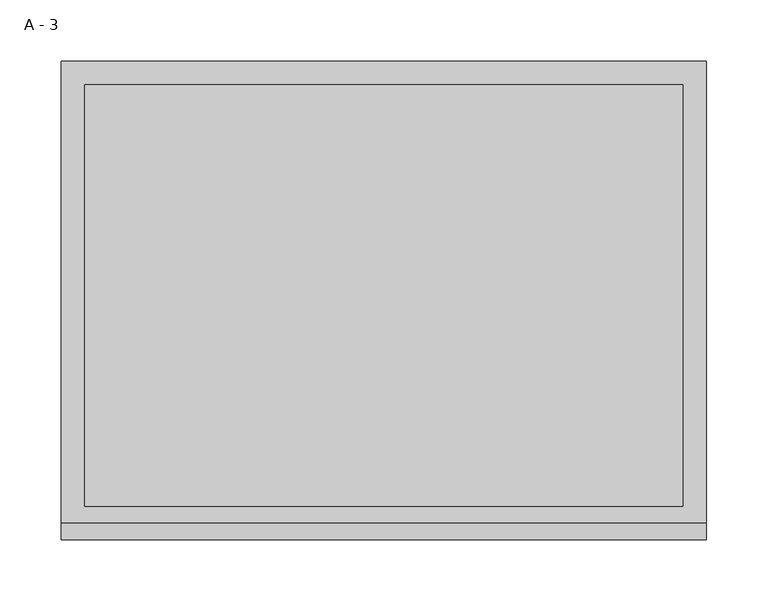
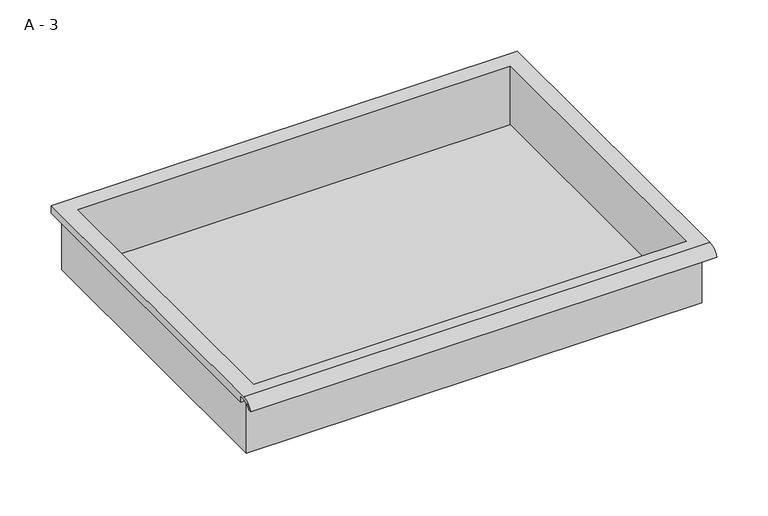
"""IFC4 building model written with IfcOpenShell, lengths in millimetres: furniture geometry, A - 3."""

from ifc_helpers import new_model, si_unit, frame, origin, place, context, project, spatial, polyline, circle_curve, source, transform, mapped, element, save
from ifc_brep_helpers import plane_surface, cylinder_surface, revolved_surface, advanced_brep


def a_3_bef83b7e(model_context):
    return source(origin(), model_context, "Body", "AdvancedBrep", [
        advanced_brep(
        [(-257.1076517, -176.2125, 795.528), (257.2423483, -176.2125, 795.528), (257.2423483, -176.2125, 859.028), (263.5923483, -176.2125, 859.028), (263.5923483, -176.2125, 865.3351341), (-263.4576517, -176.2125, 865.3351341), (-263.4576517, -176.2125, 859.028), (-257.1076517, -176.2125, 859.028), (257.2423483, 185.7375, 795.528), (-257.1076517, 185.7375, 795.528), (-257.1076517, 185.7375, 859.028), (257.2423483, 185.7375, 859.028), (263.5923483, -181.6070544, 868.553), (263.5923483, 195.2625, 868.553), (-263.4576517, 195.2625, 868.553), (-263.4576517, -181.6070544, 868.553), (244.5423483, -168.275, 868.553), (-244.4076517, -168.275, 868.553), (-244.4076517, 176.2125, 868.553), (244.5423483, 176.2125, 868.553), (263.5923483, -195.2625, 859.028), (263.5923483, -191.8280601, 859.028), (263.5923483, -180.4714815, 865.3351341), (263.5923483, 195.2625, 859.028), (-263.4576517, 195.2625, 859.028), (-263.4576517, -180.4714815, 865.3351341), (-263.4576517, -191.8280601, 859.028), (-263.4576517, -195.2625, 859.028), (-244.4076517, -168.275, 798.5541719), (244.5423483, -168.275, 798.5541719), (244.5423483, 176.2125, 798.5541719), (-244.4076517, 176.2125, 798.5541719)],
        [
            (0, 1),
            (1, 2),
            (2, 3),
            (3, 4),
            (4, 5),
            (5, 6),
            (6, 7),
            (7, 0),
            (8, 9),
            (9, 10),
            (10, 11),
            (11, 8),
            (0, 9),
            (8, 1),
            (11, 2),
            (12, 13),
            (13, 14),
            (14, 15),
            (15, 12),
            (16, 17),
            (17, 18),
            (18, 19),
            (19, 16),
            (7, 10),
            (12, 20, circle_curve(frame((263.5923483, -181.6070544, 854.0019859), z_axis=(1.0, 0.0, 0.0), x_axis=(0.0, 1.0, 0.0)), 14.5510141)),
            (20, 21),
            (21, 22, circle_curve(frame((263.5923483, -181.6070544, 854.0019859), z_axis=(-1.0, 0.0, 0.0), x_axis=(0.0, 1.0, 0.0)), 11.3898979)),
            (22, 4),
            (3, 23),
            (23, 13),
            (14, 24),
            (24, 6),
            (5, 25),
            (25, 26, circle_curve(frame((-263.4576517, -181.6070544, 854.0019859), z_axis=(1.0, 0.0, 0.0), x_axis=(0.0, 1.0, 0.0)), 11.3898979)),
            (26, 27),
            (27, 15, circle_curve(frame((-263.4576517, -181.6070544, 854.0019859), z_axis=(-1.0, 0.0, 0.0), x_axis=(0.0, 1.0, 0.0)), 14.5510141)),
            (27, 20),
            (26, 21),
            (25, 22),
            (24, 23),
            (28, 29),
            (29, 30),
            (30, 31),
            (31, 28),
            (28, 17),
            (16, 29),
            (19, 30),
            (18, 31),
        ],
        [
            plane_surface(frame((257.2423483, -176.2125, 795.528), z_axis=(0.0, -1.0, 0.0), x_axis=(1.0, 0.0, 0.0))),
            plane_surface(frame((257.2423483, 185.7375, 795.528), z_axis=(0.0, 1.0, 0.0), x_axis=(-1.0, 0.0, 0.0))),
            plane_surface(frame((-257.1076517, -176.2125, 795.528), z_axis=(0.0, 0.0, -1.0), x_axis=(0.0, 1.0, 0.0))),
            plane_surface(frame((257.2423483, -176.2125, 795.528), z_axis=(1.0, 0.0, 0.0), x_axis=(0.0, 1.0, 0.0))),
            plane_surface(frame((257.2423483, -176.2125, 868.553), z_axis=(0.0, 0.0, 1.0), x_axis=(0.0, 1.0, 0.0))),
            plane_surface(frame((-257.1076517, -176.2125, 868.553), z_axis=(-1.0, 0.0, 0.0), x_axis=(0.0, 1.0, 0.0))),
            plane_surface(frame((263.5923483, 195.2625, 868.553), z_axis=(1.0, 0.0, 0.0), x_axis=(0.0, -1.0, 0.0))),
            plane_surface(frame((-263.4576517, 195.2625, 868.553), z_axis=(-1.0, 0.0, 0.0), x_axis=(0.0, 1.0, 0.0))),
            cylinder_surface(frame((-263.4576517, -181.6070544, 854.0019859), z_axis=(1.0, 0.0, 0.0), x_axis=(0.0, 1.0, 0.0)), 14.5510141),
            plane_surface(frame((263.5923483, -195.2625, 859.028), z_axis=(0.0, -7.291233251777072e-12, -1.0), x_axis=(-1.0, 0.0, 0.0))),
            revolved_surface(polyline([(-263.4576517, -170.21715650000002, 854.0019859), (263.59234829999997, -170.21715650000002, 854.0019859)]), (-263.4576517, -181.6070544, 854.0019859), (-1.0, 0.0, 0.0)),
            plane_surface(frame((263.5923483, -180.4714815, 865.3351341), z_axis=(0.0, -1.8020319608165646e-11, -1.0), x_axis=(-1.0, 0.0, 0.0))),
            plane_surface(frame((263.5923483, -176.2125, 859.028), z_axis=(0.0, 0.0, -1.0), x_axis=(-1.0, 0.0, 0.0))),
            plane_surface(frame((263.5923483, 195.2625, 859.028), z_axis=(0.0, 1.0, 0.0), x_axis=(-1.0, 0.0, 0.0))),
            plane_surface(frame((244.5423483, -168.275, 798.5541719), z_axis=(0.0, 0.0, 1.0), x_axis=(-1.0, 0.0, 0.0))),
            plane_surface(frame((-244.4076517, -168.275, 868.553), z_axis=(0.0, 1.0, 0.0), x_axis=(0.0, 0.0, -1.0))),
            plane_surface(frame((244.5423483, -168.275, 868.553), z_axis=(-1.0, 0.0, 0.0), x_axis=(0.0, 0.0, -1.0))),
            plane_surface(frame((244.5423483, 176.2125, 868.553), z_axis=(0.0, -1.0, 0.0), x_axis=(0.0, 0.0, -1.0))),
            plane_surface(frame((-244.4076517, 176.2125, 868.553), z_axis=(1.0, 0.0, 0.0), x_axis=(0.0, 0.0, -1.0))),
        ],
        [
            (0, [[1, 2, 3, 4, 5, 6, 7, 8]]),
            (1, [[9, 10, 11, 12]]),
            (2, [[-1, 13, -9, 14]]),
            (3, [[-14, -12, 15, -2]]),
            (4, [[16, 17, 18, 19], [20, 21, 22, 23]]),
            (5, [[-13, -8, 24, -10]]),
            (6, [[-16, 25, 26, 27, 28, -4, 29, 30]]),
            (7, [[31, 32, -6, 33, 34, 35, 36, -18]]),
            (8, [[-25, -19, -36, 37]]),
            (9, [[-26, -37, -35, 38]]),
            (10, [[-27, -38, -34, 39]]),
            (11, [[-28, -39, -33, -5]]),
            (12, [[-29, -3, -15, -11, -24, -7, -32, 40]]),
            (13, [[-30, -40, -31, -17]]),
            (14, [[41, 42, 43, 44]]),
            (15, [[-41, 45, -20, 46]]),
            (16, [[-42, -46, -23, 47]]),
            (17, [[-43, -47, -22, 48]]),
            (18, [[-44, -48, -21, -45]]),
        ],
    ),
    ])


if __name__ == "__main__":
    model = new_model("IFC4")
    model_context = context("Model", 3, world=origin())
    ifc_project = project(units=[si_unit("LENGTHUNIT", "METRE", prefix="MILLI")], contexts=[model_context])
    site = spatial("IfcSite", under=ifc_project)
    building = spatial("IfcBuilding", under=site)
    placement = place(None, origin())
    a_3_shape = a_3_bef83b7e(model_context)
    element("IfcFurniture", 1, ObjectType="A - 3", at=placement, inside=building, context=model_context, shape_type="MappedRepresentation", body=[
        mapped(a_3_shape, transform((0.0, 0.0, 0.0), x_axis=(1.0, 0.0, 0.0), y_axis=(0.0, 1.0, 0.0), z_axis=(0.0, 0.0, 1.0))),
    ])
    save(model, "model.ifc")
